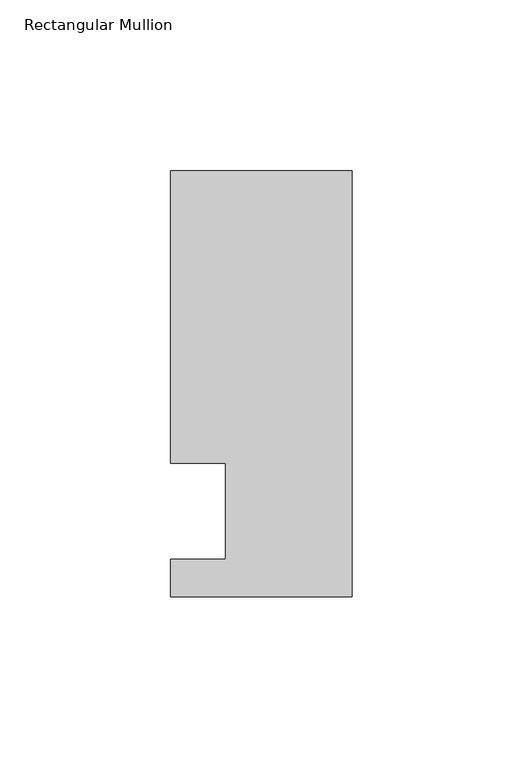
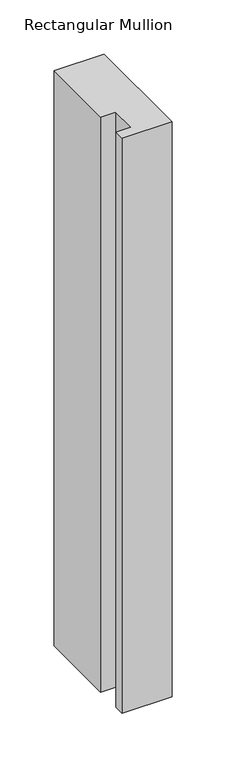
"""IFC4 building model written with IfcOpenShell, lengths in millimetres: member geometry, Rectangular Mullion."""

import ifcopenshell
import ifcopenshell.guid

model = None  # the IFC model being written
_history = None  # IfcOwnerHistory: only IFC2X3 demands one
_inside = {}  # id of a spatial element -> (the spatial element, [elements in it])
_under = {}  # id of a project, library or spatial element -> (it, [spatial elements below it])
_declared = {}  # id of a project -> (the project, [libraries it declares])
_typed = {}  # id of a type object -> (the type object, [elements of that type])
_made_of = {}  # id of a material, layer set ... -> (it, [elements and type objects made of it])


def new_model(schema):
    """Start an empty IFC model of exactly this schema.

    Asked for "IFC4X3", IfcOpenShell would pick the latest addendum, in which some entities
    have other attributes; the version numbers below select the first issue.
    IFC2X3 requires an IfcOwnerHistory on every rooted entity: one is made here for all.
    """
    global model, _history
    if schema == "IFC4X3":
        model = ifcopenshell.file(schema_version=(4, 3, 0, 0))
    else:
        model = ifcopenshell.file(schema=schema)
    _inside.clear()
    _under.clear()
    _declared.clear()
    _typed.clear()
    _made_of.clear()
    _history = None
    if model.schema == "IFC2X3":
        org = make("IfcOrganization", Name="unknown")
        user = make(
            "IfcPersonAndOrganization",
            ThePerson=make("IfcPerson", FamilyName="unknown"),
            TheOrganization=org,
        )
        app = make(
            "IfcApplication",
            ApplicationDeveloper=org,
            Version="unknown",
            ApplicationFullName="unknown",
            ApplicationIdentifier="unknown",
        )
        _history = make(
            "IfcOwnerHistory",
            OwningUser=user,
            OwningApplication=app,
            ChangeAction="ADDED",
            CreationDate=0,
        )
    return model


def make(cls, **values):
    """One entity of the class cls with the attributes given. An attribute that is None is left unset."""
    return model.create_entity(
        cls, **{name: value for name, value in values.items() if value is not None}
    )


def rooted(cls, **values):
    """An entity with a GlobalId (a new one), such as an element, a storey or a relation."""
    return make(cls, GlobalId=ifcopenshell.guid.new(), OwnerHistory=_history, **values)


def si_unit(unit_type, name, prefix=None):
    """IfcSIUnit, for example si_unit("LENGTHUNIT", "METRE", prefix="MILLI")."""
    return make("IfcSIUnit", UnitType=unit_type, Prefix=prefix, Name=name)


def assignment(units):
    """IfcUnitAssignment: the units of a project."""
    return None if units is None else make("IfcUnitAssignment", Units=units)


def point(xyz):
    """IfcCartesianPoint."""
    return None if xyz is None else make("IfcCartesianPoint", Coordinates=xyz)


def direction(xyz):
    """IfcDirection."""
    return None if xyz is None else make("IfcDirection", DirectionRatios=xyz)


def frame(location, z_axis=None, x_axis=None):
    """IfcAxis2Placement3D, a coordinate frame: its origin and axes. An axis left out is left unset."""
    return make(
        "IfcAxis2Placement3D",
        Location=point(location),
        Axis=direction(z_axis),
        RefDirection=direction(x_axis),
    )


def origin():
    """The frame at (0, 0, 0) with its axes left unset."""
    return frame((0.0, 0.0, 0.0))


def place(relative_to, where):
    """IfcLocalPlacement: puts the frame where relative to a parent placement (None: the world)."""
    return make(
        "IfcLocalPlacement", PlacementRelTo=relative_to, RelativePlacement=where
    )


def context(
    kind, dimensions, precision=None, world=None, true_north=None, identifier=None
):
    """IfcGeometricRepresentationContext, for example the 3D "Model" context."""
    return make(
        "IfcGeometricRepresentationContext",
        ContextIdentifier=identifier,
        ContextType=kind,
        CoordinateSpaceDimension=dimensions,
        Precision=precision,
        WorldCoordinateSystem=world,
        TrueNorth=true_north,
    )


def project(units=None, contexts=None):
    """IfcProject with its units and contexts."""
    return rooted(
        "IfcProject",
        Name="project",
        RepresentationContexts=contexts,
        UnitsInContext=assignment(units),
    )


def spatial(cls, under=None, at=None, **own):
    """A site, building, storey or space (cls), placed at a placement, below another one or the project."""
    s = rooted(cls, ObjectPlacement=at, **own)
    if under is not None:
        _under.setdefault(under.id(), (under, []))[1].append(s)
    return s


def polyline(points):
    """IfcPolyline through the points."""
    return make("IfcPolyline", Points=[point(p) for p in points])


def outline(outer, holes=None, kind="AREA"):
    """IfcArbitraryClosedProfileDef: a profile drawn as a closed curve; with holes, ...WithVoids."""
    if holes is None:
        return make("IfcArbitraryClosedProfileDef", ProfileType=kind, OuterCurve=outer)
    return make(
        "IfcArbitraryProfileDefWithVoids",
        ProfileType=kind,
        OuterCurve=outer,
        InnerCurves=holes,
    )


def extrude(swept, where, along, depth):
    """IfcExtrudedAreaSolid: the profile swept, set in the frame where, extruded along a direction by depth."""
    return make(
        "IfcExtrudedAreaSolid",
        SweptArea=swept,
        Position=where,
        ExtrudedDirection=direction(along),
        Depth=depth,
    )


def shape(context_of_items, identifier, shape_type, items):
    """IfcShapeRepresentation: the items that make up one representation, for example the "Body"."""
    return make(
        "IfcShapeRepresentation",
        ContextOfItems=context_of_items,
        RepresentationIdentifier=identifier,
        RepresentationType=shape_type,
        Items=items,
    )


def source(mapping_origin, context_of_items, identifier, shape_type, items):
    """IfcRepresentationMap: a shape defined once, which mapped items show again and again."""
    return make(
        "IfcRepresentationMap",
        MappingOrigin=mapping_origin,
        MappedRepresentation=shape(context_of_items, identifier, shape_type, items),
    )


def transform(
    local_origin,
    x_axis=None,
    y_axis=None,
    z_axis=None,
    scale=None,
    scale2=None,
    scale3=None,
    uniform=True,
):
    """IfcCartesianTransformationOperator3D, or its non-uniform kind. x_axis, y_axis, z_axis: its Axis1, 2, 3."""
    if uniform:
        return make(
            "IfcCartesianTransformationOperator3D",
            Axis1=direction(x_axis),
            Axis2=direction(y_axis),
            LocalOrigin=point(local_origin),
            Scale=scale,
            Axis3=direction(z_axis),
        )
    return make(
        "IfcCartesianTransformationOperator3DnonUniform",
        Axis1=direction(x_axis),
        Axis2=direction(y_axis),
        LocalOrigin=point(local_origin),
        Scale=scale,
        Axis3=direction(z_axis),
        Scale2=scale2,
        Scale3=scale3,
    )


def mapped(mapping_source, mapping_target):
    """IfcMappedItem: shows the shape of a source again, moved by a transform."""
    return make(
        "IfcMappedItem", MappingSource=mapping_source, MappingTarget=mapping_target
    )


def made_of(thing, what):
    """Note that an element or type object is made of a material, layer set ...; save() writes the relation."""
    if what is not None:
        _made_of.setdefault(what.id(), (what, []))[1].append(thing)
    return thing


def element(
    cls,
    number,
    at=None,
    inside=None,
    cuts=None,
    type_object=None,
    material=None,
    context=None,
    identifier="Body",
    shape_type=None,
    held_by="IfcProductDefinitionShape",
    body=None,
    shapes=None,
    **own,
):
    """One element of the class cls, such as IfcWall. Its Tag is "e" and its number.

    at: its placement. inside: the storey or other place that contains it. cuts: it is an
    opening in that element (IfcRelVoidsElement). A single representation is given by context,
    identifier, shape_type and body (its items); several are given by shapes. held_by: the class
    of the entity that holds the representations. save() writes the other relations.
    """
    e = rooted(cls, Tag="e%d" % number, ObjectPlacement=at, **own)
    if body is not None:
        shapes = [shape(context, identifier, shape_type, body)]
    if shapes is not None:
        e.Representation = make(held_by, Representations=shapes)
    if inside is not None:
        _inside.setdefault(inside.id(), (inside, []))[1].append(e)
    if cuts is not None:
        rooted(
            "IfcRelVoidsElement", RelatingBuildingElement=cuts, RelatedOpeningElement=e
        )
    if type_object is not None:
        _typed.setdefault(type_object.id(), (type_object, []))[1].append(e)
    return made_of(e, material)


def aggregate(whole, parts):
    """IfcRelAggregates: a whole, such as a stair, and the parts it consists of."""
    return rooted("IfcRelAggregates", RelatingObject=whole, RelatedObjects=parts)


def save(model, path):
    """Write the relations noted so far, then the file.

    IfcRelAggregates (storeys below a building ...), IfcRelContainedInSpatialStructure (elements
    in a storey), IfcRelDefinesByType, IfcRelAssociatesMaterial and IfcRelDeclares: one each for
    every whole, place, type object, material and project.
    """
    for whole, parts in _under.values():
        aggregate(whole, parts)
    for where, things in _inside.values():
        rooted(
            "IfcRelContainedInSpatialStructure",
            RelatedElements=things,
            RelatingStructure=where,
        )
    for kind, things in _typed.values():
        rooted("IfcRelDefinesByType", RelatedObjects=things, RelatingType=kind)
    for what, things in _made_of.values():
        rooted("IfcRelAssociatesMaterial", RelatedObjects=things, RelatingMaterial=what)
    for by, libraries in _declared.values():
        rooted("IfcRelDeclares", RelatingContext=by, RelatedDefinitions=libraries)
    model.write(path)


def rectangular_mullion_43f6ca5a(model_context):
    return source(origin(), model_context, "Body", "SweptSolid", [
        extrude(outline(polyline([(-37.0, -13.9999453), (-37.0, 14.0000547), (-53.0, 14.0000547), (-53.0, 99.5000547), (0.0, 99.5000547), (0.0, -24.9999453), (-53.0, -24.9999453), (-53.0, -13.9999453), (-37.0, -13.9999453)])), frame((0.0, 0.0, -645.561551), z_axis=(0.0, 0.0, 1.0), x_axis=(1.0, 0.0, 0.0)), (0.0, 0.0, 1.0), 645.561551),
    ])


if __name__ == "__main__":
    model = new_model("IFC4")
    model_context = context("Model", 3, world=origin())
    ifc_project = project(units=[si_unit("LENGTHUNIT", "METRE", prefix="MILLI")], contexts=[model_context])
    site = spatial("IfcSite", under=ifc_project)
    building = spatial("IfcBuilding", under=site)
    placement = place(None, origin())
    rectangular_mullion_shape = rectangular_mullion_43f6ca5a(model_context)
    element("IfcMember", 1, ObjectType="Rectangular Mullion", at=placement, inside=building, context=model_context, shape_type="MappedRepresentation", body=[
        mapped(rectangular_mullion_shape, transform((0.0, 0.0, 0.0), x_axis=(1.0, 0.0, 0.0), y_axis=(0.0, 1.0, 0.0), z_axis=(0.0, 0.0, 1.0))),
    ])
    save(model, "model.ifc")
